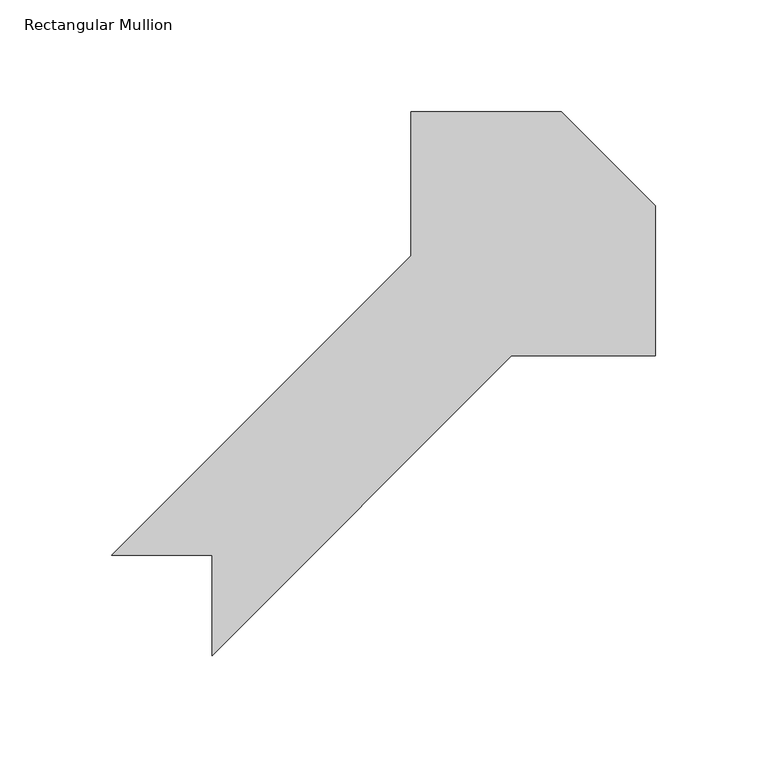
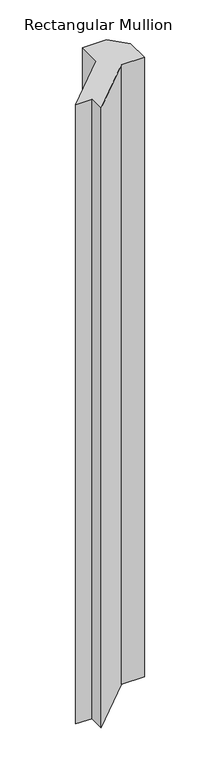
"""IFC4 building model written with IfcOpenShell, lengths in millimetres: member geometry, Rectangular Mullion."""

from ifc_helpers import new_model, si_unit, frame, origin, place, context, project, spatial, polyline, outline, extrude, source, transform, mapped, element, save


def rectangular_mullion_55ebcb9f(model_context):
    return source(origin(), model_context, "Body", "SweptSolid", [
        extrude(outline(polyline([(-156.3231891, -201.2700306), (-156.3231891, -156.36875), (-201.2244697, -156.36875), (-67.1770177, -22.321298), (-67.1770177, 42.06875), (0.0477808, 42.06875), (42.1143109, 0.0022199), (42.1143109, -67.2225786), (-22.2757371, -67.2225786), (-156.3231891, -201.2700306)])), frame((0.0, 0.0, -1828.8), z_axis=(0.0, 0.0, 1.0), x_axis=(1.0, 0.0, 0.0)), (0.0, 0.0, 1.0), 1828.8),
    ])


if __name__ == "__main__":
    model = new_model("IFC4")
    model_context = context("Model", 3, world=origin())
    ifc_project = project(units=[si_unit("LENGTHUNIT", "METRE", prefix="MILLI")], contexts=[model_context])
    site = spatial("IfcSite", under=ifc_project)
    building = spatial("IfcBuilding", under=site)
    placement = place(None, origin())
    rectangular_mullion_shape = rectangular_mullion_55ebcb9f(model_context)
    element("IfcMember", 1, ObjectType="Rectangular Mullion", at=placement, inside=building, context=model_context, shape_type="MappedRepresentation", body=[
        mapped(rectangular_mullion_shape, transform((0.0, 0.0, 0.0), x_axis=(1.0, 0.0, 0.0), y_axis=(0.0, 1.0, 0.0), z_axis=(0.0, 0.0, 1.0))),
    ])
    save(model, "model.ifc")
